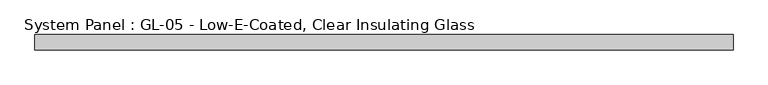
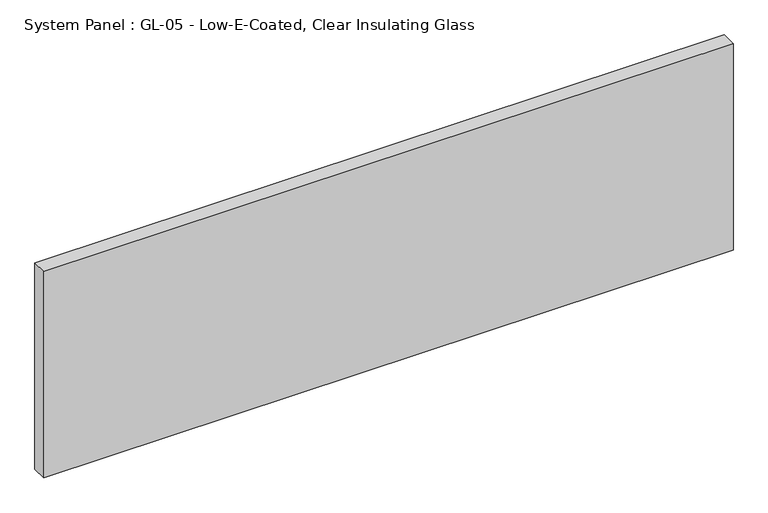
"""IFC4 building model written with IfcOpenShell, lengths in millimetres: plate geometry, System Panel : GL-05 - Low-E-Coated, Clear Insulating Glass."""

from ifc_helpers import new_model, si_unit, origin, origin_with_axes, place, context, project, spatial, polyline, outline, extrude, source, transform, mapped, element, save


def system_panel_gl_05_low_e_coated_clear_insulating_glass_8204efe0(model_context):
    return source(origin(), model_context, "Body", "SweptSolid", [
        extrude(outline(polyline([(571.5, -12.7), (-571.5, -12.7), (-571.5, 12.7), (571.5, 12.7), (571.5, -12.7)])), origin_with_axes(), (0.0, 0.0, 1.0), 361.95),
    ])


if __name__ == "__main__":
    model = new_model("IFC4")
    model_context = context("Model", 3, world=origin())
    ifc_project = project(units=[si_unit("LENGTHUNIT", "METRE", prefix="MILLI")], contexts=[model_context])
    site = spatial("IfcSite", under=ifc_project)
    building = spatial("IfcBuilding", under=site)
    placement = place(None, origin())
    system_panel_gl_05_low_e_coated_clear_insulating_glass_shape = system_panel_gl_05_low_e_coated_clear_insulating_glass_8204efe0(model_context)
    element("IfcPlate", 1, ObjectType="System Panel : GL-05 - Low-E-Coated, Clear Insulating Glass", at=placement, inside=building, context=model_context, shape_type="MappedRepresentation", body=[
        mapped(system_panel_gl_05_low_e_coated_clear_insulating_glass_shape, transform((0.0, 0.0, 0.0), x_axis=(1.0, 0.0, 0.0), y_axis=(0.0, 1.0, 0.0), z_axis=(0.0, 0.0, 1.0))),
    ])
    save(model, "model.ifc")
